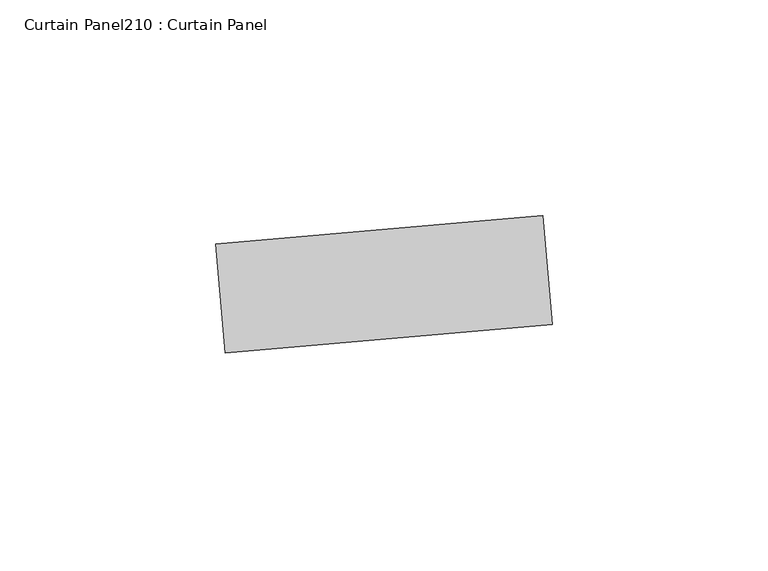
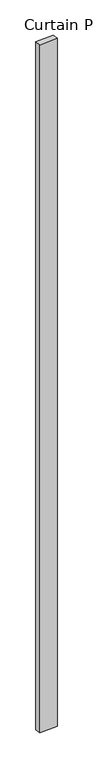
"""IFC4 building model written with IfcOpenShell, lengths in millimetres: plate geometry, Curtain Panel210 : Curtain Panel."""

from ifc_helpers import new_model, si_unit, frame, origin, place, context, project, spatial, polyline, outline, extrude, source, transform, mapped, element, save


def curtain_panel210_curtain_panel_7667c7c9(model_context):
    return source(origin(), model_context, "Body", "SweptSolid", [
        extrude(outline(polyline([(620524.0032389, 2392.6959346), (620448.093203, 2386.054667), (620445.8794471, 2411.3580123), (620521.7894831, 2417.9992799), (620524.0032389, 2392.6959346)])), frame((0.0, 0.0, 4959.7989371), z_axis=(0.0, 0.0, 1.0), x_axis=(1.0, 0.0, 0.0)), (0.0, 0.0, 1.0), 3048.0),
    ])


if __name__ == "__main__":
    model = new_model("IFC4")
    model_context = context("Model", 3, world=origin())
    ifc_project = project(units=[si_unit("LENGTHUNIT", "METRE", prefix="MILLI")], contexts=[model_context])
    site = spatial("IfcSite", under=ifc_project)
    building = spatial("IfcBuilding", under=site)
    placement = place(None, origin())
    curtain_panel210_curtain_panel_shape = curtain_panel210_curtain_panel_7667c7c9(model_context)
    element("IfcPlate", 1, ObjectType="Curtain Panel210 : Curtain Panel", at=placement, inside=building, context=model_context, shape_type="MappedRepresentation", body=[
        mapped(curtain_panel210_curtain_panel_shape, transform((0.0, 0.0, 0.0), x_axis=(1.0, 0.0, 0.0), y_axis=(0.0, 1.0, 0.0), z_axis=(0.0, 0.0, 1.0))),
    ])
    save(model, "model.ifc")
